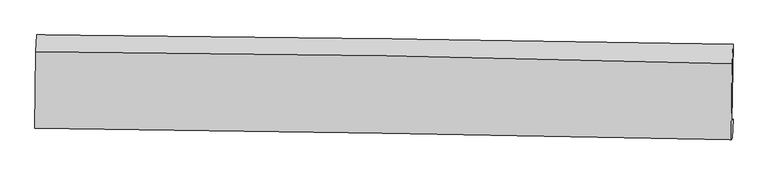
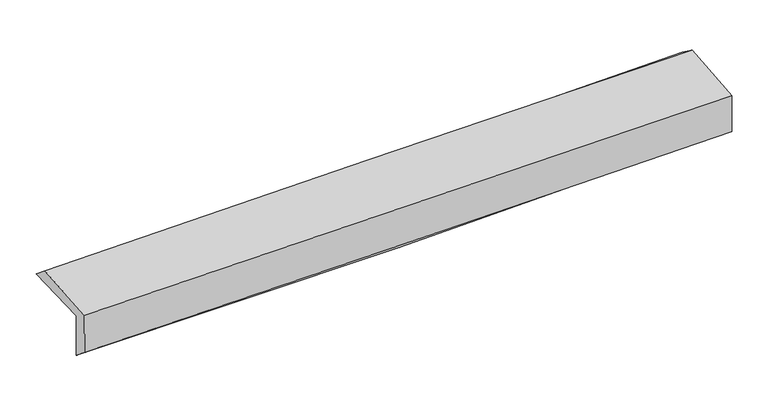
"""IFC4 building model written with IfcOpenShell, lengths in millimetres: proxy geometry."""

from ifc_helpers import new_model, si_unit, frame, origin, place, context, project, spatial, source, transform, mapped, element, save
from ifc_brep_helpers import plane_surface, spline_curve, spline_surface, advanced_brep


def generic_models_5f5cb270(model_context):
    return source(origin(), model_context, "Body", "AdvancedBrep", [
        advanced_brep(
        [(-3019.6957227, -1760.7176476, 1974.8452105), (-3010.0501987, -1099.672229, 1987.2260034), (3003.6077457, -1180.9292611, 2129.7159261), (2994.0555923, -1841.9760783, 2117.337418), (-3009.5252872, -1746.594743, 1567.8675105), (3004.0374236, -1828.115074, 1717.9068593), (-3014.6212641, -1890.5061886, 1687.6231664), (2998.6946845, -1991.9384246, 1836.4224789), (-3024.0926534, -1903.4071032, 2066.7825534), (2989.4989767, -2004.4637871, 2204.5443576), (-3015.1229494, -1243.3711959, 2106.1630988), (2998.0578665, -1349.8132023, 2253.6128351)],
        [
            (0, 1),
            (1, 2, spline_curve(3, [(-3010.0501987, -1099.672229, 1987.2260034), (-2005.741822405, -1107.218114157, 1993.505414933), (-1001.831379998, -1117.774545996, 2008.544737338), (1002.719307962, -1144.875051145, 2056.084523065), (2003.361513783, -1161.404296766, 2088.541841642), (3003.6077457, -1180.9292611, 2129.7159261)], [4, 2, 4], [0.0, 9.881250542067335, 19.738137205235386])),
            (2, 3),
            (3, 0, spline_curve(3, [(2994.0555923, -1841.9760783, 2117.337418), (1993.391959674, -1825.774178652, 2076.091968697), (992.533034059, -1810.90839986, 2043.598733838), (-1012.049771139, -1783.815643246, 1996.058011208), (-2015.774616987, -1771.595277993, 1981.053843294), (-3019.6957227, -1760.7176476, 1974.8452105)], [4, 2, 4], [0.0, 9.856886663168051, 19.738137205235386])),
            (4, 0),
            (3, 5),
            (5, 4, spline_curve(3, [(3004.0374236, -1828.115074, 1717.9068593), (2003.54668422, -1811.67309055, 1669.742951789), (1002.789990224, -1796.665350825, 1633.158841101), (-1001.729597071, -1769.484807921, 1583.088409384), (-2005.493806677, -1757.319104185, 1569.659403546), (-3009.5252872, -1746.594743, 1567.8675105)], [4, 2, 4], [0.0, 9.8570790736613, 19.73852250181485])),
            (6, 4),
            (5, 7),
            (7, 6, spline_curve(3, [(2998.6946845, -1991.9384246, 1836.4224789), (1997.733048736, -1972.790415382, 1805.746480989), (996.761128755, -1954.772760753, 1778.020199844), (-1007.677469833, -1920.95642086, 1728.405828983), (-2011.144199383, -1905.163329685, 1706.532339434), (-3014.6212641, -1890.5061886, 1687.6231664)], [4, 2, 4], [0.0, 9.856837188311127, 19.738038133231463])),
            (8, 6),
            (7, 9),
            (9, 8, spline_curve(3, [(2989.4989767, -2004.4637871, 2204.5443576), (1988.403065357, -1985.498868679, 2179.249368228), (987.341007703, -1967.604091771, 2155.134435246), (-1017.18970348, -1933.913233732, 2109.207992796), (-2020.658189223, -1918.122449416, 2087.402324607), (-3024.0926534, -1903.4071032, 2066.7825534)], [4, 2, 4], [0.0, 9.856637029712406, 19.737637321289583])),
            (10, 8),
            (9, 11),
            (11, 10, spline_curve(3, [(2998.0578665, -1349.8132023, 2253.6128351), (1997.582167079, -1321.513877788, 2223.88044873), (996.864748534, -1298.498466596, 2196.738742798), (-1007.527660197, -1262.991644562, 2147.576007908), (-2011.203846911, -1250.52638668, 2125.56780154), (-3015.1229494, -1243.3711959, 2106.1630988)], [4, 2, 4], [0.0, 9.856617681586815, 19.737598577214435])),
            (1, 10),
            (11, 2),
        ],
        [
            spline_surface(3, 3, [[(-3019.6957227, -1760.7176476, 1974.8452105), (-2015.774617097, -1771.595278113, 1981.053843434), (-1012.049771067, -1783.815643119, 1996.058011144), (992.533033987, -1810.908399987, 2043.598733902), (1993.391959593, -1825.774178566, 2076.091968689), (2994.0555923, -1841.9760783, 2117.337418)], [(-3016.480548003, -1540.36917473, 1978.972141464), (-2012.43035218, -1550.13622348, 1985.204367248), (-1008.643640749, -1561.801944086, 2000.220253197), (995.928458686, -1588.897283688, 2047.760663602), (1996.71514437, -1604.317551268, 2080.241926281), (2997.239643438, -1621.627139232, 2121.46358736)], [(-3013.265373397, -1320.02070187, 1983.099072436), (-2009.086087354, -1328.677168858, 1989.354891069), (-1005.237510434, -1339.788245069, 2004.382495298), (999.323883381, -1366.886167405, 2051.92259335), (2000.038329135, -1382.860923975, 2084.391883894), (3000.423694562, -1401.278200168, 2125.58975674)], [(-3010.0501987, -1099.672229, 1987.2260034), (-2005.741822437, -1107.218114226, 1993.505414883), (-1001.831380116, -1117.774546035, 2008.544737352), (1002.71930808, -1144.875051106, 2056.08452305), (2003.361513913, -1161.404296678, 2088.541841486), (3003.6077457, -1180.9292611, 2129.7159261)]], [4, 4], [4, 2, 4], [0.0, 2.1858017615635004], [0.0, 9.881250542067335, 19.738137205235386]),
            spline_surface(3, 3, [[(-3009.5252872, -1746.594743, 1567.8675105), (-2005.493806586, -1757.319104192, 1569.659403574), (-1001.729597037, -1769.484808064, 1583.088409222), (1002.789990191, -1796.665350683, 1633.158841264), (2003.54668423, -1811.673090536, 1669.742951841), (3004.0374236, -1828.115074, 1717.9068593)], [(-3012.91543239, -1751.302377856, 1703.526743856), (-2008.920743446, -1762.077828822, 1706.790883551), (-1005.169655078, -1774.261753072, 1720.744943188), (999.371004759, -1801.413033773, 1769.972138802), (2000.161776004, -1816.373453222, 1805.192624128), (3000.710146486, -1832.735408776, 1851.050378871)], [(-3016.30557751, -1756.010012744, 1839.185977144), (-2012.347680236, -1766.836553483, 1843.922363458), (-1008.609713026, -1779.038698111, 1858.401477178), (995.952019419, -1806.160716896, 1906.785436364), (1996.776867819, -1821.07381588, 1940.642296402), (2997.382869414, -1837.355743524, 1984.193898429)], [(-3019.6957227, -1760.7176476, 1974.8452105), (-2015.774617097, -1771.595278113, 1981.053843434), (-1012.049771067, -1783.815643119, 1996.058011144), (992.533033987, -1810.908399987, 2043.598733902), (1993.391959593, -1825.774178566, 2076.091968689), (2994.0555923, -1841.9760783, 2117.337418)]], [4, 4], [4, 2, 4], [0.0, 1.3519820744067796], [0.0, 9.881443428153549, 19.73852250181485]),
            spline_surface(3, 3, [[(-3014.6212641, -1890.5061886, 1687.6231664), (-2011.144199382, -1905.163329747, 1706.532339324), (-1007.677469857, -1920.956420706, 1728.405828986), (996.76112878, -1954.772760907, 1778.020199841), (1997.733048773, -1972.790415232, 1805.746481004), (2998.6946845, -1991.9384246, 1836.4224789)], [(-3012.922605133, -1842.535706762, 1647.704614419), (-2009.260735116, -1855.881921258, 1660.908027393), (-1005.694845562, -1870.465883181, 1679.966689091), (998.770749272, -1902.070290855, 1729.733080341), (1999.670927258, -1919.084640309, 1760.411971285), (3000.475597532, -1937.330641042, 1796.917272369)], [(-3011.223946167, -1794.565224838, 1607.786062481), (-2007.377270852, -1806.600512681, 1615.283715505), (-1003.712221333, -1819.975345589, 1631.527549117), (1000.780369699, -1849.367820735, 1681.445960763), (2001.608805745, -1865.37886546, 1715.07746156), (3002.256510568, -1882.722857558, 1757.412065831)], [(-3009.5252872, -1746.594743, 1567.8675105), (-2005.493806586, -1757.319104192, 1569.659403574), (-1001.729597037, -1769.484808064, 1583.088409222), (1002.789990191, -1796.665350683, 1633.158841264), (2003.54668423, -1811.673090536, 1669.742951841), (3004.0374236, -1828.115074, 1717.9068593)]], [4, 4], [4, 2, 4], [0.0, 0.6963129470596987], [0.0, 9.881200944920336, 19.738038133231463]),
            spline_surface(3, 3, [[(-3024.0926534, -1903.4071032, 2066.7825534), (-2020.658189109, -1918.122449418, 2087.402324445), (-1017.189703343, -1933.913233702, 2109.207992904), (987.341007566, -1967.604091801, 2155.134435138), (1988.403065211, -1985.498868834, 2179.249368107), (2989.4989767, -2004.4637871, 2204.5443576)], [(-3020.935523638, -1899.10679831, 1940.396091068), (-2017.486859204, -1913.802742837, 1960.44566274), (-1014.018958865, -1929.594296026, 1982.273938247), (990.481047954, -1963.326981491, 2029.429690022), (1991.513059758, -1981.262717643, 2054.748405758), (2992.564212659, -2000.288666276, 2081.837064719)], [(-3017.778393862, -1894.80649349, 1814.009628732), (-2014.315529287, -1909.483036328, 1833.48900103), (-1010.848214336, -1925.275358383, 1855.339883642), (993.621088392, -1959.049871216, 1903.724944957), (1994.623054227, -1977.026566423, 1930.247443352), (2995.629448541, -1996.113545424, 1959.129771781)], [(-3014.6212641, -1890.5061886, 1687.6231664), (-2011.144199382, -1905.163329747, 1706.532339324), (-1007.677469857, -1920.956420706, 1728.405828986), (996.76112878, -1954.772760907, 1778.020199841), (1997.733048773, -1972.790415232, 1805.746481004), (2998.6946845, -1991.9384246, 1836.4224789)]], [4, 4], [4, 2, 4], [0.0, 1.2444231902113203], [0.0, 9.881000291577177, 19.737637321289583]),
            spline_surface(3, 3, [[(-3015.1229494, -1243.3711959, 2106.1630988), (-2011.203846939, -1250.52638661, 2125.567801648), (-1007.527660269, -1262.991644459, 2147.576007841), (996.864748606, -1298.498466698, 2196.738742865), (1997.582167242, -1321.513877648, 2223.880448764), (2998.0578665, -1349.8132023, 2253.6128351)], [(-3018.112850728, -1463.383165018, 2093.036250341), (-2014.355294324, -1473.058407565, 2112.845975922), (-1010.748341286, -1486.63217419, 2134.786669521), (993.690168266, -1521.533675049, 2182.870640281), (1994.522466551, -1542.842208051, 2209.003421869), (2995.204903219, -1568.030063908, 2237.256675924)], [(-3021.102752072, -1683.395134082, 2079.909401859), (-2017.506741724, -1695.590428464, 2100.124150171), (-1013.969022326, -1710.272703971, 2121.997331224), (990.515587905, -1744.568883449, 2169.002537721), (1991.462765902, -1764.170538431, 2194.126395001), (2992.351939981, -1786.246925492, 2220.900516776)], [(-3024.0926534, -1903.4071032, 2066.7825534), (-2020.658189109, -1918.122449418, 2087.402324445), (-1017.189703343, -1933.913233702, 2109.207992904), (987.341007566, -1967.604091801, 2155.134435138), (1988.403065211, -1985.498868834, 2179.249368107), (2989.4989767, -2004.4637871, 2204.5443576)]], [4, 4], [4, 2, 4], [0.0, 2.2023499230136485], [0.0, 9.88098089562762, 19.737598577214435]),
            spline_surface(3, 3, [[(-3010.0501987, -1099.672229, 1987.2260034), (-2005.741822437, -1107.218114226, 1993.505414883), (-1001.831380116, -1117.774546035, 2008.544737352), (1002.71930808, -1144.875051106, 2056.08452305), (2003.361513913, -1161.404296678, 2088.541841486), (3003.6077457, -1180.9292611, 2129.7159261)], [(-3011.741115608, -1147.571884624, 2026.871701851), (-2007.562497279, -1154.987538344, 2037.526210455), (-1003.73014015, -1166.180245531, 2054.888494204), (1000.767788272, -1196.082856325, 2102.96926301), (2001.435065021, -1214.774157, 2133.654710569), (3001.757785965, -1237.223908166, 2171.014895757)], [(-3013.432032492, -1195.471540276, 2066.517400349), (-2009.383172097, -1202.756962492, 2081.547006075), (-1005.628900235, -1214.585944963, 2101.23225099), (998.816268413, -1247.29066148, 2149.854002904), (1999.508616133, -1268.144017325, 2178.767579681), (2999.907826235, -1293.518555234, 2212.313865443)], [(-3015.1229494, -1243.3711959, 2106.1630988), (-2011.203846939, -1250.52638661, 2125.567801648), (-1007.527660269, -1262.991644459, 2147.576007841), (996.864748606, -1298.498466698, 2196.738742865), (1997.582167242, -1321.513877648, 2223.880448764), (2998.0578665, -1349.8132023, 2253.6128351)]], [4, 4], [4, 2, 4], [0.0, 0.6716680918518356], [0.0, 9.881023604205392, 19.737683889064826]),
            plane_surface(frame((2997.9920482, -1699.5393046, 2043.2566458), z_axis=(0.9995896647058204, -0.01490219165833026, 0.024462765524036676), x_axis=(0.02495783954153041, 0.0339947713571994, -0.999110335131106))),
            plane_surface(frame((-3015.5180126, -1607.3781845, 1898.4179238), z_axis=(-0.9995876710360089, 0.01504337499381354, -0.024457816370299496), x_axis=(-0.014587207539799852, -0.999718276017214, -0.018723834365867723))),
        ],
        [
            (0, [[1, 2, 3, 4]]),
            (1, [[5, -4, 6, 7]]),
            (2, [[8, -7, 9, 10]]),
            (3, [[11, -10, 12, 13]]),
            (4, [[14, -13, 15, 16]]),
            (5, [[17, -16, 18, -2]]),
            (6, [[-12, -9, -6, -3, -18, -15]]),
            (7, [[-1, -5, -8, -11, -14, -17]]),
        ],
    ),
    ])


if __name__ == "__main__":
    model = new_model("IFC4")
    model_context = context("Model", 3, world=origin())
    ifc_project = project(units=[si_unit("LENGTHUNIT", "METRE", prefix="MILLI")], contexts=[model_context])
    site = spatial("IfcSite", under=ifc_project)
    building = spatial("IfcBuilding", under=site)
    placement = place(None, origin())
    generic_models_shape = generic_models_5f5cb270(model_context)
    element("IfcBuildingElementProxy", 1, Name="Generic Models", at=placement, inside=building, context=model_context, shape_type="MappedRepresentation", body=[
        mapped(generic_models_shape, transform((0.0, 0.0, 0.0), x_axis=(1.0, 0.0, 0.0), y_axis=(0.0, 1.0, 0.0), z_axis=(0.0, 0.0, 1.0))),
    ])
    save(model, "model.ifc")
